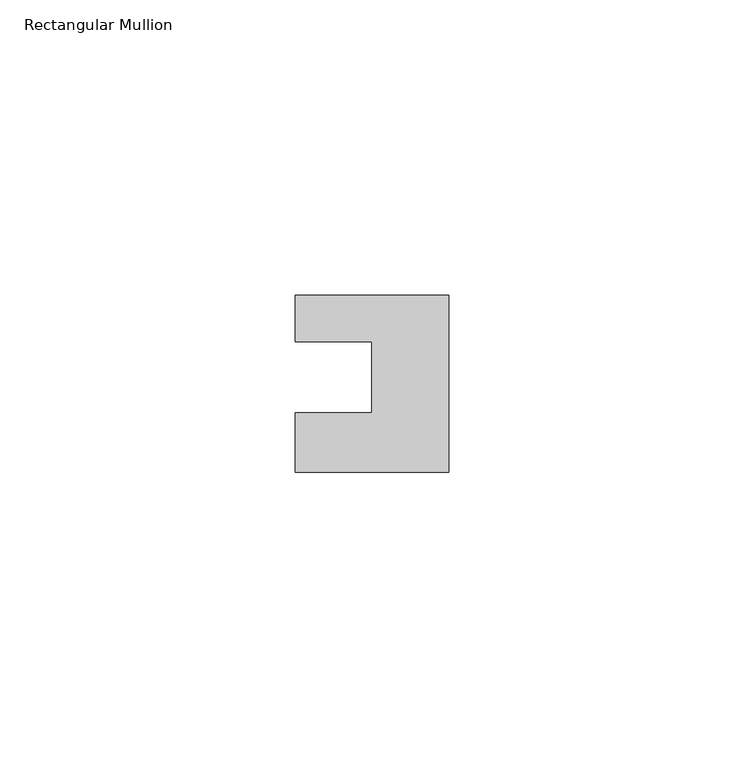
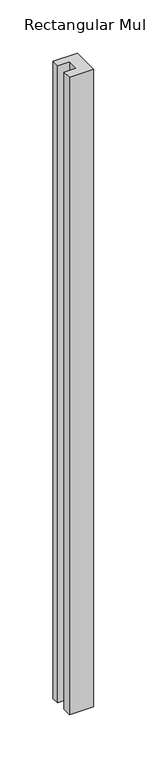
"""IFC4 building model written with IfcOpenShell, lengths in millimetres: member geometry, Rectangular Mullion."""

from ifc_helpers import new_model, si_unit, frame, origin, place, context, project, spatial, polyline, outline, extrude, source, transform, mapped, element, save


def rectangular_mullion_2f762191(model_context):
    return source(origin(), model_context, "Body", "SweptSolid", [
        extrude(outline(polyline([(-26.0, 0.001), (-26.0, 7.94), (0.0, 7.94), (0.0, -22.06), (-26.0, -22.06), (-26.0, -12.0), (-13.0, -12.0), (-13.0, 0.001), (-26.0, 0.001)])), frame((0.0, 0.0, -727.0), z_axis=(0.0, 0.0, 1.0), x_axis=(1.0, 0.0, 0.0)), (0.0, 0.0, 1.0), 727.0),
    ])


if __name__ == "__main__":
    model = new_model("IFC4")
    model_context = context("Model", 3, world=origin())
    ifc_project = project(units=[si_unit("LENGTHUNIT", "METRE", prefix="MILLI")], contexts=[model_context])
    site = spatial("IfcSite", under=ifc_project)
    building = spatial("IfcBuilding", under=site)
    placement = place(None, origin())
    rectangular_mullion_shape = rectangular_mullion_2f762191(model_context)
    element("IfcMember", 1, ObjectType="Rectangular Mullion", at=placement, inside=building, context=model_context, shape_type="MappedRepresentation", body=[
        mapped(rectangular_mullion_shape, transform((0.0, 0.0, 0.0), x_axis=(1.0, 0.0, 0.0), y_axis=(0.0, 1.0, 0.0), z_axis=(0.0, 0.0, 1.0))),
    ])
    save(model, "model.ifc")
